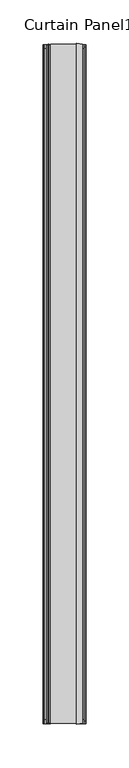
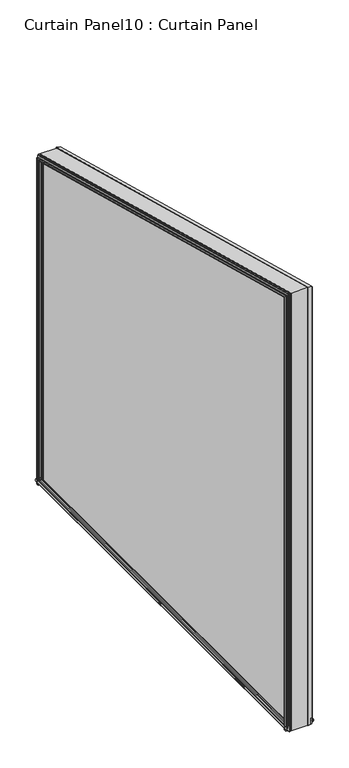
"""IFC4 building model written with IfcOpenShell, lengths in millimetres: plate geometry, Curtain Panel10 : Curtain Panel."""

from ifc_helpers import new_model, si_unit, point, frame, frame_2d, origin, place, context, project, spatial, polyline, circle_curve, ellipse_curve, trimmed, segment, composite_curve, outline, extrude, faceted_brep, source, transform, mapped, element, save
from ifc_brep_helpers import plane_surface, cylinder_surface, advanced_brep


def curtain_panel10_curtain_panel_0e779736(model_context):
    return source(origin(), model_context, "Body", "SolidModel", [
        extrude(outline(polyline([(1675.5001686, -5183.6541373), (1677.838311, -5183.2475038), (1680.1513253, -5183.658226), (1680.1513253, -5184.4931931), (1678.6164967, -5184.2206535), (1679.0883779, -5186.9339704), (1683.3809779, -5186.9339704), (1684.5734779, -5193.6649704), (1671.0605536, -5193.6649704), (1672.2557779, -5186.9339704), (1676.5483779, -5186.9339704), (1677.0337768, -5184.2004083), (1675.5001686, -5184.4671228), (1675.5001686, -5183.6541373)])), frame((0.0, 4303.3909238, 0.0), z_axis=(0.0, 1.0, 0.0), x_axis=(0.0, 0.0, 1.0)), (0.0, 0.0, 1.0), 782.5278414),
        extrude(outline(composite_curve([segment(polyline([(1672.1016561, -5223.9425642), (1681.6520561, -5223.9425642), (1682.0143305, -5225.6573297)]), True, "CONTINUOUS"), segment(trimmed(circle_curve(frame_2d((1682.0330561, -5226.3174642)), 0.6604), [point((1682.0143305, -5225.6573297))], [point((1682.0539697, -5226.977533))], False, "CARTESIAN"), True, "CONTINUOUS"), segment(polyline([(1682.0539697, -5226.977533), (1681.6520561, -5228.6923642), (1678.1468561, -5228.6923642), (1677.6642561, -5231.4101642), (1679.2136561, -5231.1561642), (1679.2136561, -5231.9689642), (1676.8768561, -5232.3753642), (1674.5400561, -5231.9689642), (1674.5400561, -5231.1561642), (1676.0894561, -5231.4101642), (1675.6068561, -5228.6923642), (1672.1016561, -5228.6923642), (1671.6997425, -5226.977533)]), True, "CONTINUOUS"), segment(trimmed(circle_curve(frame_2d((1671.7206561, -5226.3174642)), 0.6604), [point((1671.6997425, -5226.977533))], [point((1671.7393817, -5225.6573297))], False, "CARTESIAN"), True, "CONTINUOUS"), segment(polyline([(1671.7393817, -5225.6573297), (1672.1016561, -5223.9425642)]), True, "CONTINUOUS")], self_intersect=False)), frame((0.0, 4303.3909238, 0.0), z_axis=(0.0, 1.0, 0.0), x_axis=(0.0, 0.0, 1.0)), (0.0, 0.0, 1.0), 782.5278414),
        advanced_brep(
        [(-5231.4217652, 4308.2204503, 1672.0963604), (-5231.1434642, 4306.6421271, 1672.0963604), (-5231.9562642, 4306.6421271, 1672.0963604), (-5232.3626642, 4308.9789254, 1672.0963604), (-5231.9562642, 4311.3157238, 1672.0963604), (-5231.1434642, 4311.3157238, 1672.0963604), (-5231.3974642, 4309.7663249, 1672.0963604), (-5228.6796642, 4310.2489245, 1672.0963604), (-5228.6796642, 4313.7541221, 1672.0963604), (-5226.9649969, 4314.1499842, 1672.0963604), (-5225.6446297, 4314.1163962, 1672.0963604), (-5223.9298642, 4313.7541221, 1672.0963604), (-5223.9298642, 4304.2037288, 1672.0963604), (-5225.6446297, 4303.8414546, 1672.0963604), (-5226.9649969, 4303.8078666, 1672.0963604), (-5228.6796642, 4304.2037288, 1672.0963604), (-5228.6796642, 4307.7369439, 1672.0963604), (-5231.4217652, 5081.0892386, 1672.0963604), (-5228.6796642, 5081.572745, 1672.0963604), (-5228.6796642, 5085.1059602, 1672.0963604), (-5226.9649969, 5085.5018223, 1672.0963604), (-5225.6446297, 5085.4682344, 1672.0963604), (-5223.9298642, 5085.1059602, 1672.0963604), (-5223.9298642, 5075.5555669, 1672.0963604), (-5225.6446297, 5075.1932927, 1672.0963604), (-5226.9649969, 5075.1597047, 1672.0963604), (-5228.6796642, 5075.5555669, 1672.0963604), (-5228.6796642, 5079.0607644, 1672.0963604), (-5231.3974642, 5079.5433641, 1672.0963604), (-5231.1434642, 5077.9939652, 1672.0963604), (-5231.9562642, 5077.9939652, 1672.0963604), (-5232.3626642, 5080.3307635, 1672.0963604), (-5231.9562642, 5082.6675619, 1672.0963604), (-5231.1434642, 5082.6675619, 1672.0963604), (-5231.1434642, 4306.6421271, 2500.3493148), (-5231.4217652, 4308.2204503, 2498.2924039), (-5231.4217652, 5081.0892386, 2291.2028362), (-5231.1434642, 5082.6675619, 2292.4139263), (-5231.9562642, 4306.6421271, 2500.3493148), (-5231.9562642, 5082.6675619, 2292.4139263), (-5232.3626642, 4308.9789254, 2497.3039399), (-5232.3626642, 5080.3307635, 2290.6208378), (-5231.9562642, 4311.3157238, 2494.258565), (-5231.9562642, 5077.9939652, 2288.8277494), (-5231.1434642, 4311.3157238, 2494.258565), (-5231.1434642, 5077.9939652, 2288.8277494), (-5231.3974642, 4309.7663249, 2496.277781), (-5231.3974642, 5079.5433641, 2290.016645), (-5228.6796642, 4310.2489245, 2495.6488448), (-5228.6796642, 5079.0607644, 2289.6463332), (-5226.9649969, 4314.1499842, 2490.5648849), (-5228.6796642, 4313.7541221, 2491.0807825), (-5228.6796642, 5075.5555669, 2286.9567005), (-5226.9649969, 5075.1597047, 2286.6529448), (-5225.6446297, 4314.1163962, 2490.6086576), (-5225.6446297, 5075.1932927, 2286.6787178), (-5223.9298642, 4313.7541221, 2491.0807825), (-5223.9298642, 5075.5555669, 2286.9567005), (-5225.6446297, 4303.8414546, 2503.9992222), (-5223.9298642, 4304.2037288, 2503.5270974), (-5223.9298642, 5085.1059602, 2294.2849751), (-5225.6446297, 5085.4682344, 2294.5629578), (-5226.9649969, 4303.8078666, 2504.0429949), (-5226.9649969, 5085.5018223, 2294.5887308), (-5228.6796642, 4304.2037288, 2503.5270974), (-5228.6796642, 5085.1059602, 2294.2849751), (-5228.6796642, 4307.7369439, 2498.9225217), (-5228.6796642, 5081.572745, 2291.5738437)],
        [
            (0, 1),
            (1, 2),
            (2, 3),
            (3, 4),
            (4, 5),
            (5, 6),
            (6, 7),
            (7, 8),
            (8, 9),
            (9, 10, circle_curve(frame((-5226.3047642, 4314.1351218, 1672.0963604), z_axis=(0.0, 0.0, -1.0), x_axis=(-1.0, 0.0, 0.0)), 0.6604)),
            (10, 11),
            (11, 12),
            (12, 13),
            (13, 14, circle_curve(frame((-5226.3047642, 4303.8227291, 1672.0963604), z_axis=(0.0, 0.0, -1.0), x_axis=(-1.0, 0.0, 0.0)), 0.6604)),
            (14, 15),
            (15, 16),
            (16, 0),
            (17, 18),
            (18, 19),
            (19, 20),
            (20, 21, circle_curve(frame((-5226.3047642, 5085.4869599, 1672.0963604), z_axis=(0.0, 0.0, -1.0), x_axis=(-1.0, 0.0, 0.0)), 0.6604)),
            (21, 22),
            (22, 23),
            (23, 24),
            (24, 25, circle_curve(frame((-5226.3047642, 5075.1745672, 1672.0963604), z_axis=(0.0, 0.0, -1.0), x_axis=(-1.0, 0.0, 0.0)), 0.6604)),
            (25, 26),
            (26, 27),
            (27, 28),
            (28, 29),
            (29, 30),
            (30, 31),
            (31, 32),
            (32, 33),
            (33, 17),
            (34, 35),
            (35, 36),
            (36, 37),
            (37, 34),
            (38, 34),
            (37, 39),
            (39, 38),
            (40, 38),
            (39, 41),
            (41, 40),
            (42, 40),
            (41, 43),
            (43, 42),
            (44, 42),
            (43, 45),
            (45, 44),
            (46, 44),
            (45, 47),
            (47, 46),
            (48, 46),
            (47, 49),
            (49, 48),
            (50, 51),
            (51, 52),
            (52, 53),
            (53, 50),
            (54, 50, ellipse_curve(frame((-5226.3047642, 4314.1351218, 2490.584254), z_axis=(0.0, 0.7933533402912328, 0.6087614290087237), x_axis=(0.0, -0.6087614290087237, 0.7933533402912328)), 1.0848256, 0.6604)),
            (53, 55, ellipse_curve(frame((-5226.3047642, 5075.1745672, 2286.6643492), z_axis=(0.0, -0.6087614290087238, 0.7933533402912327), x_axis=(0.0, -0.7933533402912328, -0.6087614290087237)), 0.832416, 0.6604)),
            (55, 54),
            (56, 54),
            (55, 57),
            (57, 56),
            (58, 59),
            (59, 60),
            (60, 61),
            (61, 58),
            (62, 58, ellipse_curve(frame((-5226.3047642, 4303.8227291, 2504.0236258), z_axis=(0.0, 0.7933533402912328, 0.6087614290087237), x_axis=(0.0, -0.6087614290087237, 0.7933533402912328)), 1.0848256, 0.6604)),
            (61, 63, ellipse_curve(frame((-5226.3047642, 5085.4869599, 2294.5773264), z_axis=(0.0, -0.6087614290087238, 0.7933533402912327), x_axis=(0.0, -0.7933533402912328, -0.6087614290087237)), 0.832416, 0.6604)),
            (63, 62),
            (64, 62),
            (63, 65),
            (65, 64),
            (35, 66),
            (66, 67),
            (67, 36),
            (0, 35),
            (34, 1),
            (38, 2),
            (40, 3),
            (42, 4),
            (44, 5),
            (46, 6),
            (48, 7),
            (49, 27),
            (26, 52),
            (51, 8),
            (50, 9),
            (54, 10),
            (56, 11),
            (57, 23),
            (22, 60),
            (59, 12),
            (58, 13),
            (62, 14),
            (64, 15),
            (65, 19),
            (18, 67),
            (66, 16),
            (36, 17),
            (33, 37),
            (32, 39),
            (31, 41),
            (30, 43),
            (29, 45),
            (28, 47),
            (25, 53),
            (24, 55),
            (21, 61),
            (20, 63),
        ],
        [
            plane_surface(frame((-5223.9425642, 4303.3909238, 1672.0963604), z_axis=(0.0, 0.0, -1.0), x_axis=(-1.0, 0.0, 0.0))),
            plane_surface(frame((-5223.9425642, 5085.9187652, 1672.0963604), z_axis=(0.0, 0.0, -1.0), x_axis=(-1.0, 0.0, 0.0))),
            plane_surface(frame((-5231.4217652, 4308.2204503, 2498.2924039), z_axis=(0.9848077530121928, -0.0449434555275704, -0.1677312594966047), x_axis=(0.0, 0.9659258262890702, -0.25881904510251386))),
            plane_surface(frame((-5231.1434642, 4306.6421271, 2500.3493148), z_axis=(0.0, 0.2588190451025143, 0.9659258262890701), x_axis=(0.0, 0.9659258262890701, -0.2588190451025143))),
            plane_surface(frame((-5231.9562642, 4306.6421271, 2500.3493148), z_axis=(-0.9852117345923341, 0.044346389338372066, 0.16550297814303463), x_axis=(0.0, 0.9659258262890701, -0.2588190451025143))),
            plane_surface(frame((-5232.3626642, 4308.9789254, 2497.3039399), z_axis=(-0.9852117345923415, -0.04434638933835842, -0.16550297814299458), x_axis=(0.0, 0.9659258262890703, -0.2588190451025134))),
            plane_surface(frame((-5231.9562642, 4311.3157238, 2494.258565), z_axis=(0.0, -0.25881904510251363, -0.9659258262890702), x_axis=(0.0, 0.9659258262890702, -0.25881904510251363))),
            plane_surface(frame((-5231.1434642, 4311.3157238, 2494.258565), z_axis=(0.9868276470441845, 0.04187048654195784, 0.15626278311222536), x_axis=(0.0, 0.9659258262890702, -0.25881904510251363))),
            plane_surface(frame((-5231.3974642, 4309.7663249, 2496.277781), z_axis=(-0.17483499188440213, -0.2548326489797924, -0.951048393419979), x_axis=(0.0, 0.9659258262890702, -0.25881904510251375))),
            plane_surface(frame((-5228.6796642, 4313.7541221, 2491.0807825), z_axis=(-0.22495105434371548, -0.2521855297441977, -0.9411692099390467), x_axis=(0.0, 0.9659258262890703, -0.25881904510251375))),
            cylinder_surface(frame((-5226.3047642, 4300.6101207, 2494.2082671), z_axis=(0.0, -0.9659258262890703, 0.25881904510251347), x_axis=(-1.0, 0.0, 0.0)), 0.6604),
            plane_surface(frame((-5225.6446297, 4314.1163962, 2490.6086576), z_axis=(0.20670479014045265, -0.2532294226822565, -0.9450650714215413), x_axis=(0.0, 0.9659258262890702, -0.258819045102514))),
            plane_surface(frame((-5223.9298642, 4304.2037288, 2503.5270974), z_axis=(0.20670479098949046, 0.2532294226358295, 0.9450650712482795), x_axis=(0.0, 0.9659258262890704, -0.258819045102513))),
            cylinder_surface(frame((-5226.3047642, 4303.2791644, 2504.1692736), z_axis=(0.0, -0.9659258262890703, 0.25881904510251347), x_axis=(-1.0, 0.0, 0.0)), 0.6604),
            plane_surface(frame((-5226.9649969, 4303.8078666, 2504.0429949), z_axis=(-0.22495105434392343, 0.2521855297441856, 0.9411692099390001), x_axis=(0.0, 0.9659258262890702, -0.2588190451025135))),
            plane_surface(frame((-5228.6796642, 4307.7369439, 2498.9225217), z_axis=(-0.17364817766687618, 0.25488700224417415, 0.9512512425642089), x_axis=(0.0, 0.9659258262890703, -0.2588190451025133))),
            plane_surface(frame((-5231.4217652, 4308.2204503, 1672.0963604), z_axis=(0.9848077530121931, 0.1736481776670157, 0.0), x_axis=(0.0, 0.0, 1.0))),
            plane_surface(frame((-5231.1434642, 4306.6421271, 1672.0963604), z_axis=(0.0, -1.0, 0.0), x_axis=(0.0, 0.0, 1.0))),
            plane_surface(frame((-5231.9562642, 4306.6421271, 1672.0963604), z_axis=(-0.9852117345923345, -0.1713412910584127, 0.0), x_axis=(0.0, 0.0, 1.0))),
            plane_surface(frame((-5232.3626642, 4308.9789254, 1672.0963604), z_axis=(-0.9852117345923412, 0.1713412910583739, 0.0), x_axis=(0.0, 0.0, 1.0))),
            plane_surface(frame((-5231.9562642, 4311.3157238, 1672.0963604), z_axis=(0.0, 1.0, 0.0), x_axis=(0.0, 0.0, 1.0))),
            plane_surface(frame((-5231.1434642, 4311.3157238, 1672.0963604), z_axis=(0.9868276470441841, -0.16177513724067497, 0.0), x_axis=(0.0, 0.0, 1.0))),
            plane_surface(frame((-5231.3974642, 4309.7663249, 1672.0963604), z_axis=(-0.17483499188440044, 0.9845977481249801, 0.0), x_axis=(0.0, 0.0, 1.0))),
            plane_surface(frame((-5228.6796642, 4310.2489245, 1672.0963604), z_axis=(-1.0, 0.0, 0.0), x_axis=(0.0, 0.0, 1.0))),
            plane_surface(frame((-5228.6796642, 4313.7541221, 1672.0963604), z_axis=(-0.2249510543437137, 0.9743700647852702, 0.0), x_axis=(0.0, 0.0, 1.0))),
            cylinder_surface(frame((-5226.3047642, 4314.1351218, 1672.0963604), z_axis=(0.0, 0.0, -1.0), x_axis=(-1.0, 0.0, 0.0)), 0.6604),
            plane_surface(frame((-5225.6446297, 4314.1163962, 1672.0963604), z_axis=(0.20670479014045431, 0.9784033573802734, 0.0), x_axis=(0.0, 0.0, 1.0))),
            plane_surface(frame((-5223.9298642, 4313.7541221, 1672.0963604), z_axis=(1.0, 0.0, 0.0), x_axis=(0.0, 0.0, 1.0))),
            plane_surface(frame((-5223.9298642, 4304.2037288, 1672.0963604), z_axis=(0.20670479098948877, -0.9784033572009, 0.0), x_axis=(0.0, 0.0, 1.0))),
            cylinder_surface(frame((-5226.3047642, 4303.8227291, 1672.0963604), z_axis=(0.0, 0.0, -1.0), x_axis=(-1.0, 0.0, 0.0)), 0.6604),
            plane_surface(frame((-5226.9649969, 4303.8078666, 1672.0963604), z_axis=(-0.22495105434392507, -0.9743700647852214, 0.0), x_axis=(0.0, 0.0, 1.0))),
            plane_surface(frame((-5228.6796642, 4304.2037288, 1672.0963604), z_axis=(-1.0, 0.0, 0.0), x_axis=(0.0, 0.0, 1.0))),
            plane_surface(frame((-5228.6796642, 4307.7369439, 1672.0963604), z_axis=(-0.17364817766687785, -0.9848077530122173, 0.0), x_axis=(0.0, 0.0, 1.0))),
            plane_surface(frame((-5231.4217652, 5081.0892386, 2291.2028362), z_axis=(0.9848077530121926, -0.17364817766701843, 0.0), x_axis=(0.0, 0.0, -1.0))),
            plane_surface(frame((-5231.1434642, 5082.6675619, 2292.4139263), z_axis=(0.0, 1.0, 0.0), x_axis=(0.0, 0.0, -1.0))),
            plane_surface(frame((-5231.9562642, 5082.6675619, 2292.4139263), z_axis=(-0.985211734592334, 0.17134129105841542, 0.0), x_axis=(0.0, 0.0, -1.0))),
            plane_surface(frame((-5232.3626642, 5080.3307635, 2290.6208378), z_axis=(-0.9852117345923417, -0.17134129105837115, 0.0), x_axis=(0.0, 0.0, -1.0))),
            plane_surface(frame((-5231.9562642, 5077.9939652, 2288.8277494), z_axis=(0.0, -1.0, 0.0), x_axis=(0.0, 0.0, -1.0))),
            plane_surface(frame((-5231.1434642, 5077.9939652, 2288.8277494), z_axis=(0.9868276470441846, 0.1617751372406722, 0.0), x_axis=(0.0, 0.0, -1.0))),
            plane_surface(frame((-5231.3974642, 5079.5433641, 2290.016645), z_axis=(-0.17483499188440313, -0.9845977481249796, 0.0), x_axis=(0.0, 0.0, -1.0))),
            plane_surface(frame((-5228.6796642, 5075.5555669, 2286.9567005), z_axis=(-0.22495105434371643, -0.9743700647852696, 0.0), x_axis=(0.0, 0.0, -1.0))),
            cylinder_surface(frame((-5226.3047642, 5075.1745672, 2294.9086623), z_axis=(0.0, 0.0, 1.0), x_axis=(-1.0, 0.0, 0.0)), 0.6604),
            plane_surface(frame((-5225.6446297, 5075.1932927, 2286.6787178), z_axis=(0.20670479014045162, -0.978403357380274, 0.0), x_axis=(0.0, 0.0, -1.0))),
            plane_surface(frame((-5223.9298642, 5085.1059602, 2294.2849751), z_axis=(0.20670479098949146, 0.9784033572008994, 0.0), x_axis=(0.0, 0.0, -1.0))),
            cylinder_surface(frame((-5226.3047642, 5085.4869599, 2294.9086623), z_axis=(0.0, 0.0, 1.0), x_axis=(-1.0, 0.0, 0.0)), 0.6604),
            plane_surface(frame((-5226.9649969, 5085.5018223, 2294.5887308), z_axis=(-0.22495105434392237, 0.974370064785222, 0.0), x_axis=(0.0, 0.0, -1.0))),
            plane_surface(frame((-5228.6796642, 5081.572745, 2291.5738437), z_axis=(-0.17364817766687515, 0.9848077530122179, 0.0), x_axis=(0.0, 0.0, -1.0))),
        ],
        [
            (0, [[1, 2, 3, 4, 5, 6, 7, 8, 9, 10, 11, 12, 13, 14, 15, 16, 17]]),
            (1, [[18, 19, 20, 21, 22, 23, 24, 25, 26, 27, 28, 29, 30, 31, 32, 33, 34]]),
            (2, [[35, 36, 37, 38]]),
            (3, [[39, -38, 40, 41]]),
            (4, [[42, -41, 43, 44]]),
            (5, [[45, -44, 46, 47]]),
            (6, [[48, -47, 49, 50]]),
            (7, [[51, -50, 52, 53]]),
            (8, [[54, -53, 55, 56]]),
            (9, [[57, 58, 59, 60]]),
            (10, [[61, -60, 62, 63]]),
            (11, [[64, -63, 65, 66]]),
            (12, [[67, 68, 69, 70]]),
            (13, [[71, -70, 72, 73]]),
            (14, [[74, -73, 75, 76]]),
            (15, [[77, 78, 79, -36]]),
            (16, [[-1, 80, -35, 81]]),
            (17, [[-2, -81, -39, 82]]),
            (18, [[-3, -82, -42, 83]]),
            (19, [[-4, -83, -45, 84]]),
            (20, [[-5, -84, -48, 85]]),
            (21, [[-6, -85, -51, 86]]),
            (22, [[-7, -86, -54, 87]]),
            (23, [[-8, -87, -56, 88, -27, 89, -58, 90]]),
            (24, [[-9, -90, -57, 91]]),
            (25, [[-10, -91, -61, 92]]),
            (26, [[-11, -92, -64, 93]]),
            (27, [[-12, -93, -66, 94, -23, 95, -68, 96]]),
            (28, [[-13, -96, -67, 97]]),
            (29, [[-14, -97, -71, 98]]),
            (30, [[-15, -98, -74, 99]]),
            (31, [[-16, -99, -76, 100, -19, 101, -78, 102]]),
            (32, [[-17, -102, -77, -80]]),
            (33, [[-37, 103, -34, 104]]),
            (34, [[-40, -104, -33, 105]]),
            (35, [[-43, -105, -32, 106]]),
            (36, [[-46, -106, -31, 107]]),
            (37, [[-49, -107, -30, 108]]),
            (38, [[-52, -108, -29, 109]]),
            (39, [[-55, -109, -28, -88]]),
            (40, [[-59, -89, -26, 110]]),
            (41, [[-62, -110, -25, 111]]),
            (42, [[-65, -111, -24, -94]]),
            (43, [[-69, -95, -22, 112]]),
            (44, [[-72, -112, -21, 113]]),
            (45, [[-75, -113, -20, -100]]),
            (46, [[-79, -101, -18, -103]]),
        ],
    ),
        faceted_brep([(-5184.3069632, 4308.2204503, 1672.0963604), (-5187.0490642, 4307.7369439, 1672.0963604), (-5187.0490642, 4303.3909293, 1672.0963604), (-5193.7419642, 4302.2269459, 1672.0963604), (-5193.7419642, 4315.6917203, 1672.0963604), (-5187.0490642, 4314.5032623, 1672.0963604), (-5187.0490642, 4310.2489245, 1672.0963604), (-5184.3312642, 4309.7663249, 1672.0963604), (-5184.5852642, 4311.3157238, 1672.0963604), (-5183.7724642, 4311.3157238, 1672.0963604), (-5183.3660642, 4308.9789254, 1672.0963604), (-5183.7724642, 4306.6421271, 1672.0963604), (-5184.5852642, 4306.6421271, 1672.0963604), (-5184.3069632, 5081.0892386, 1672.0963604), (-5184.5852642, 5082.6675619, 1672.0963604), (-5183.7724642, 5082.6675619, 1672.0963604), (-5183.3660642, 5080.3307635, 1672.0963604), (-5183.7724642, 5077.9939652, 1672.0963604), (-5184.5852642, 5077.9939652, 1672.0963604), (-5184.3312642, 5079.5433641, 1672.0963604), (-5187.0490642, 5079.0607644, 1672.0963604), (-5187.0490642, 5074.8064267, 1672.0963604), (-5193.7419642, 5073.6179687, 1672.0963604), (-5193.7419642, 5087.0827431, 1672.0963604), (-5187.0490642, 5085.9187596, 1672.0963604), (-5187.0490642, 5081.572745, 1672.0963604), (-5187.0490642, 4307.7369439, 2498.9225217), (-5184.3069632, 4308.2204503, 2498.2924039), (-5184.3069632, 5081.0892386, 2291.2028362), (-5187.0490642, 5081.572745, 2291.5738437), (-5193.7419642, 4302.2269459, 2506.1032909), (-5187.0490642, 4303.3909293, 2504.5863582), (-5187.0490642, 5085.9187596, 2294.908658), (-5193.7419642, 5087.0827431, 2295.8018139), (-5187.0490642, 4314.5032623, 2490.104484), (-5193.7419642, 4315.6917203, 2488.5556553), (-5193.7419642, 5073.6179687, 2285.4699291), (-5187.0490642, 5074.8064267, 2286.3818651), (-5184.3312642, 4309.7663249, 2496.277781), (-5187.0490642, 4310.2489245, 2495.6488448), (-5187.0490642, 5079.0607644, 2289.6463332), (-5184.3312642, 5079.5433641, 2290.016645), (-5184.5852642, 4311.3157238, 2494.258565), (-5184.5852642, 5077.9939652, 2288.8277494), (-5183.7724642, 4311.3157238, 2494.258565), (-5183.7724642, 5077.9939652, 2288.8277494), (-5183.3660642, 4308.9789254, 2497.3039399), (-5183.3660642, 5080.3307635, 2290.6208378), (-5183.7724642, 4306.6421271, 2500.3493148), (-5183.7724642, 5082.6675619, 2292.4139263), (-5184.5852642, 4306.6421271, 2500.3493148), (-5184.5852642, 5082.6675619, 2292.4139263)], [[[0, 1, 2, 3, 4, 5, 6, 7, 8, 9, 10, 11, 12]], [[13, 14, 15, 16, 17, 18, 19, 20, 21, 22, 23, 24, 25]], [[26, 27, 28, 29]], [[30, 31, 32, 33]], [[34, 35, 36, 37]], [[38, 39, 40, 41]], [[42, 38, 41, 43]], [[44, 42, 43, 45]], [[46, 44, 45, 47]], [[48, 46, 47, 49]], [[50, 48, 49, 51]], [[27, 50, 51, 28]], [[1, 0, 27, 26]], [[2, 1, 26, 29, 25, 24, 32, 31]], [[3, 2, 31, 30]], [[4, 3, 30, 33, 23, 22, 36, 35]], [[5, 4, 35, 34]], [[6, 5, 34, 37, 21, 20, 40, 39]], [[7, 6, 39, 38]], [[8, 7, 38, 42]], [[9, 8, 42, 44]], [[10, 9, 44, 46]], [[11, 10, 46, 48]], [[12, 11, 48, 50]], [[0, 12, 50, 27]], [[29, 28, 13, 25]], [[33, 32, 24, 23]], [[37, 36, 22, 21]], [[41, 40, 20, 19]], [[43, 41, 19, 18]], [[45, 43, 18, 17]], [[47, 45, 17, 16]], [[49, 47, 16, 15]], [[51, 49, 15, 14]], [[28, 51, 14, 13]]]),
        extrude(outline(polyline([(4303.3909238, 1672.0963604), (4303.3909238, 2504.5863654), (5085.9187652, 2294.9086623), (5085.9187652, 1672.0963604), (4303.3909238, 1672.0963604)])), frame((-5223.9425642, 0.0, 0.0), z_axis=(1.0, 0.0, 0.0), x_axis=(0.0, 1.0, 0.0)), (0.0, 0.0, 1.0), 30.1625),
    ])


if __name__ == "__main__":
    model = new_model("IFC4")
    model_context = context("Model", 3, world=origin())
    ifc_project = project(units=[si_unit("LENGTHUNIT", "METRE", prefix="MILLI")], contexts=[model_context])
    site = spatial("IfcSite", under=ifc_project)
    building = spatial("IfcBuilding", under=site)
    placement = place(None, origin())
    curtain_panel10_curtain_panel_shape = curtain_panel10_curtain_panel_0e779736(model_context)
    element("IfcPlate", 1, ObjectType="Curtain Panel10 : Curtain Panel", at=placement, inside=building, context=model_context, shape_type="MappedRepresentation", body=[
        mapped(curtain_panel10_curtain_panel_shape, transform((0.0, 0.0, 0.0), x_axis=(1.0, 0.0, 0.0), y_axis=(0.0, 1.0, 0.0), z_axis=(0.0, 0.0, 1.0))),
    ])
    save(model, "model.ifc")
